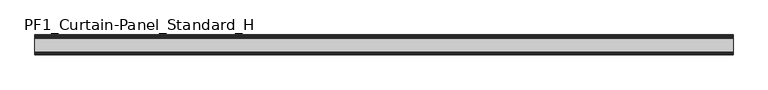
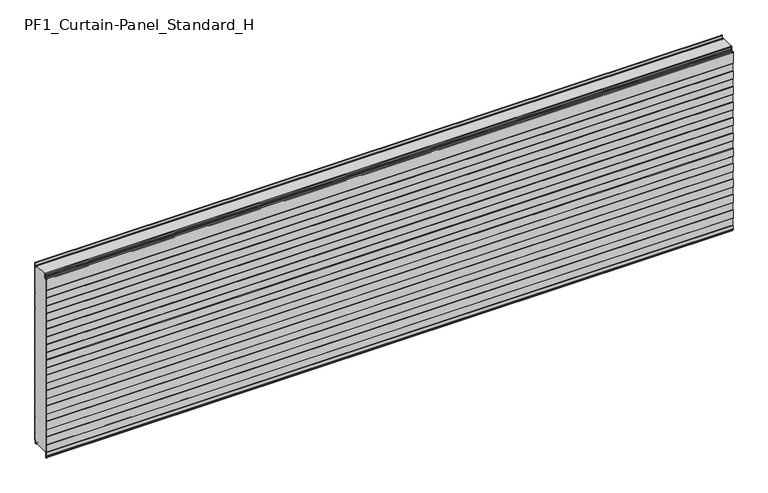
"""IFC4 building model written with IfcOpenShell, lengths in millimetres: plate geometry, PF1_Curtain-Panel_Standard_H."""

from ifc_helpers import new_model, si_unit, point, frame, frame_2d, origin, place, context, project, spatial, polyline, circle_curve, trimmed, segment, composite_curve, outline, extrude, source, transform, mapped, element, save


def pf1_curtain_panel_standard_h_b92ee648(model_context):
    return source(origin(), model_context, "Body", "SweptSolid", [
        extrude(outline(composite_curve([segment(polyline([(-15.878557, 0.0), (-20.0, 0.0), (-20.0, 0.8), (-15.878557, 0.8)]), True, "CONTINUOUS"), segment(trimmed(circle_curve(frame_2d((-15.878557, -2.0)), 2.8), [point((-15.878557, 0.8))], [point((-13.1503208, -1.370137))], False, "CARTESIAN"), True, "CONTINUOUS"), segment(polyline([(-13.1503208, -1.370137), (-11.728236, -7.529863)]), True, "CONTINUOUS"), segment(trimmed(circle_curve(frame_2d((-9.0, -6.9)), 2.8), [point((-11.728236, -7.529863))], [point((-6.2, -6.9))], True, "CARTESIAN"), True, "CONTINUOUS"), segment(polyline([(-6.2, -6.9), (-6.2, 8.6)]), True, "CONTINUOUS"), segment(trimmed(circle_curve(frame_2d((-3.4, 8.6)), 2.8), [point((-6.2, 8.6))], [point((-3.4, 11.4))], False, "CARTESIAN"), True, "CONTINUOUS"), segment(polyline([(-3.4, 11.4), (-2.0, 11.4)]), True, "CONTINUOUS"), segment(trimmed(circle_curve(frame_2d((-2.0, 12.6)), 1.2), [point((-2.0, 11.4))], [point((-0.8, 12.6))], True, "CARTESIAN"), True, "CONTINUOUS"), segment(polyline([(-0.8, 12.6), (-0.8, 57.6856412), (-2.482606, 60.6), (-0.8, 63.5143588), (-0.8, 157.6856412), (-2.482606, 160.6), (-0.8, 163.5143588), (-0.8, 257.6856412), (-2.482606, 260.6), (-0.8, 263.5143588), (-0.8, 357.6856412), (-2.482606, 360.6), (-0.8, 363.5143588), (-0.8, 457.6856412), (-2.482606, 460.6), (-0.8, 463.5143588), (-0.8, 557.6856412), (-2.482606, 560.6), (-0.8, 563.5143588), (-0.8, 657.6856412), (-2.482606, 660.6), (-0.8, 663.5143588), (-0.8, 757.6856412), (-2.482606, 760.6), (-0.8, 763.5143588), (-0.8, 857.6856412), (-2.482606, 860.6), (-0.8, 863.5143588), (-0.8, 957.6856412), (-2.482606, 960.6), (-0.8, 963.5143588), (-0.8, 1057.6856412), (-2.482606, 1060.6), (-0.8, 1063.5143588), (-0.8, 1158.268846)]), True, "CONTINUOUS"), segment(trimmed(circle_curve(frame_2d((-2.5, 1158.268846)), 1.7), [point((-0.8, 1158.268846))], [point((-4.2, 1158.268846))], True, "CARTESIAN"), True, "CONTINUOUS"), segment(polyline([(-4.2, 1158.268846), (-4.2, 1141.268846)]), True, "CONTINUOUS"), segment(trimmed(circle_curve(frame_2d((-9.0, 1141.268846)), 4.8), [point((-4.2, 1141.268846))], [point((-13.7270771, 1140.4353344))], False, "CARTESIAN"), True, "CONTINUOUS"), segment(polyline([(-13.7270771, 1140.4353344), (-14.8636953, 1146.8814129)]), True, "CONTINUOUS"), segment(trimmed(circle_curve(frame_2d((-16.6363492, 1146.568846)), 1.8), [point((-14.8636953, 1146.8814129))], [point((-16.6363492, 1148.368846))], True, "CARTESIAN"), True, "CONTINUOUS"), segment(polyline([(-16.6363492, 1148.368846), (-20.0, 1148.368846), (-20.0, 1149.168846), (-16.6363492, 1149.168846)]), True, "CONTINUOUS"), segment(trimmed(circle_curve(frame_2d((-16.6363492, 1146.568846)), 2.6), [point((-16.6363492, 1149.168846))], [point((-14.0758491, 1147.0203315))], False, "CARTESIAN"), True, "CONTINUOUS"), segment(polyline([(-14.0758491, 1147.0203315), (-12.939231, 1140.574253)]), True, "CONTINUOUS"), segment(trimmed(circle_curve(frame_2d((-9.0, 1141.268846)), 4.0), [point((-12.939231, 1140.574253))], [point((-5.0, 1141.268846))], True, "CARTESIAN"), True, "CONTINUOUS"), segment(polyline([(-5.0, 1141.268846), (-5.0, 1158.268846)]), True, "CONTINUOUS"), segment(trimmed(circle_curve(frame_2d((-2.5, 1158.268846)), 2.5), [point((-5.0, 1158.268846))], [point((0.0, 1158.268846))], False, "CARTESIAN"), True, "CONTINUOUS"), segment(polyline([(0.0, 1158.268846), (0.0, 1063.2999995), (-1.5588455, 1060.6), (0.0, 1057.9000005), (0.0, 963.2999995), (-1.5588455, 960.6), (0.0, 957.9000005), (0.0, 863.2999995), (-1.5588455, 860.6), (0.0, 857.9000005), (0.0, 763.2999995), (-1.5588455, 760.6), (0.0, 757.9000005), (0.0, 663.2999995), (-1.5588455, 660.6), (0.0, 657.9000005), (0.0, 563.2999995), (-1.5588455, 560.6), (0.0, 557.9000005), (0.0, 463.2999995), (-1.5588455, 460.6), (0.0, 457.9000005), (0.0, 363.2999995), (-1.5588455, 360.6), (0.0, 357.9000005), (0.0, 263.2999995), (-1.5588455, 260.6), (0.0, 257.9000005), (0.0, 163.2999995), (-1.5588455, 160.6), (0.0, 157.9000005), (0.0, 63.2999995), (-1.5588455, 60.6), (0.0, 57.9000005), (0.0, 12.6)]), True, "CONTINUOUS"), segment(trimmed(circle_curve(frame_2d((-2.0, 12.6)), 2.0), [point((0.0, 12.6))], [point((-2.0, 10.6))], False, "CARTESIAN"), True, "CONTINUOUS"), segment(polyline([(-2.0, 10.6), (-3.4, 10.6)]), True, "CONTINUOUS"), segment(trimmed(circle_curve(frame_2d((-3.4, 8.6)), 2.0), [point((-3.4, 10.6))], [point((-5.4, 8.6))], True, "CARTESIAN"), True, "CONTINUOUS"), segment(polyline([(-5.4, 8.6), (-5.4, -6.9)]), True, "CONTINUOUS"), segment(trimmed(circle_curve(frame_2d((-9.0, -6.9)), 3.6), [point((-5.4, -6.9))], [point((-12.5077322, -7.7098239))], False, "CARTESIAN"), True, "CONTINUOUS"), segment(polyline([(-12.5077322, -7.7098239), (-13.929817, -1.5500979)]), True, "CONTINUOUS"), segment(trimmed(circle_curve(frame_2d((-15.878557, -2.0)), 2.0), [point((-13.929817, -1.5500979))], [point((-15.878557, 0.0))], True, "CARTESIAN"), True, "CONTINUOUS")], self_intersect=False)), frame((-2100.0, 0.0, 0.0), z_axis=(1.0, 0.0, 0.0), x_axis=(0.0, 1.0, 0.0)), (0.0, 0.0, 1.0), 4200.0),
        extrude(outline(composite_curve([segment(polyline([(-110.0, 0.0), (-113.5, 0.0)]), True, "CONTINUOUS"), segment(trimmed(circle_curve(frame_2d((-113.5, -2.0)), 2.0), [point((-113.5, 0.0))], [point((-115.5, -2.0))], True, "CARTESIAN"), True, "CONTINUOUS"), segment(polyline([(-115.5, -2.0), (-115.5, -33.0)]), True, "CONTINUOUS"), segment(trimmed(circle_curve(frame_2d((-116.5, -33.0)), 1.0), [point((-115.5, -33.0))], [point((-117.5, -33.0))], False, "CARTESIAN"), True, "CONTINUOUS"), segment(polyline([(-117.5, -33.0), (-117.5, -26.9)]), True, "CONTINUOUS"), segment(trimmed(circle_curve(frame_2d((-118.4, -26.9)), 0.9), [point((-117.5, -26.9))], [point((-118.4, -26.0))], True, "CARTESIAN"), True, "CONTINUOUS"), segment(trimmed(circle_curve(frame_2d((-118.4, -24.4)), 1.6), [point((-118.4, -26.0))], [point((-120.0, -24.4))], False, "CARTESIAN"), True, "CONTINUOUS"), segment(polyline([(-120.0, -24.4), (-120.0, -0.9952559), (-118.5, 1.6028217), (-118.5, 46.4028193), (-120.0, 49.0008969), (-120.0, 99.0047441), (-118.5, 101.6028217), (-118.5, 146.4028193), (-120.0, 149.0008969), (-120.0, 199.0047441), (-118.5, 201.6028217), (-118.5, 246.4028193), (-120.0, 249.0008969), (-120.0, 299.0047441), (-118.5, 301.6028217), (-118.5, 346.4028193), (-120.0, 349.0008969), (-120.0, 399.0047441), (-118.5, 401.6028217), (-118.5, 446.4028193), (-120.0, 449.0008969), (-120.0, 499.0047441), (-118.5, 501.6028217), (-118.5, 546.4028193), (-120.0, 549.0008969), (-120.0, 599.0047441), (-118.5, 601.6028217), (-118.5, 646.4028193), (-120.0, 649.0008969), (-120.0, 699.0047441), (-118.5, 701.6028217), (-118.5, 746.4028193), (-120.0, 749.0008969), (-120.0, 799.0047441), (-118.5, 801.6028217), (-118.5, 846.4028193), (-120.0, 849.0008969), (-120.0, 899.0047441), (-118.5, 901.6028217), (-118.5, 946.4028193), (-120.0, 949.0008969), (-120.0, 999.0047441), (-118.5, 1001.6028217), (-118.5, 1046.4028193), (-120.0, 1049.0008969), (-120.0, 1123.168846)]), True, "CONTINUOUS"), segment(trimmed(circle_curve(frame_2d((-119.0, 1123.168846)), 1.0), [point((-120.0, 1123.168846))], [point((-118.0, 1123.168846))], False, "CARTESIAN"), True, "CONTINUOUS"), segment(polyline([(-118.0, 1123.168846), (-118.0, 1117.168846)]), True, "CONTINUOUS"), segment(trimmed(circle_curve(frame_2d((-116.5, 1117.168846)), 1.5), [point((-118.0, 1117.168846))], [point((-115.0, 1117.168846))], True, "CARTESIAN"), True, "CONTINUOUS"), segment(polyline([(-115.0, 1117.168846), (-115.0, 1117.9964664)]), True, "CONTINUOUS"), segment(trimmed(circle_curve(frame_2d((-108.8276204, 1117.9964664)), 6.1723796), [point((-115.0, 1117.9964664))], [point((-108.8276204, 1124.168846))], False, "CARTESIAN"), True, "CONTINUOUS"), segment(polyline([(-108.8276204, 1124.168846), (-108.0, 1124.168846)]), True, "CONTINUOUS"), segment(trimmed(circle_curve(frame_2d((-108.0, 1125.168846)), 1.0), [point((-108.0, 1124.168846))], [point((-107.0, 1125.168846))], True, "CARTESIAN"), True, "CONTINUOUS"), segment(polyline([(-107.0, 1125.168846), (-107.0, 1131.6688472), (-105.4999999, 1133.168846), (-107.0, 1134.6688448), (-107.0, 1146.568846)]), True, "CONTINUOUS"), segment(trimmed(circle_curve(frame_2d((-104.4, 1146.568846)), 2.6), [point((-107.0, 1146.568846))], [point((-104.4, 1149.168846))], False, "CARTESIAN"), True, "CONTINUOUS"), segment(polyline([(-104.4, 1149.168846), (-103.0, 1149.168846), (-103.0, 1148.368846), (-104.4, 1148.368846)]), True, "CONTINUOUS"), segment(trimmed(circle_curve(frame_2d((-104.4, 1146.568846)), 1.8), [point((-104.4, 1148.368846))], [point((-106.2, 1146.568846))], True, "CARTESIAN"), True, "CONTINUOUS"), segment(polyline([(-106.2, 1146.568846), (-106.2, 1135.0002158), (-104.3686285, 1133.168846), (-106.2, 1131.3374762), (-106.2, 1125.168846)]), True, "CONTINUOUS"), segment(trimmed(circle_curve(frame_2d((-108.0, 1125.168846)), 1.8), [point((-106.2, 1125.168846))], [point((-108.0, 1123.368846))], False, "CARTESIAN"), True, "CONTINUOUS"), segment(polyline([(-108.0, 1123.368846), (-108.8276204, 1123.368846)]), True, "CONTINUOUS"), segment(trimmed(circle_curve(frame_2d((-108.8276204, 1117.9964664)), 5.3723796), [point((-108.8276204, 1123.368846))], [point((-114.2, 1117.9964664))], True, "CARTESIAN"), True, "CONTINUOUS"), segment(polyline([(-114.2, 1117.9964664), (-114.2, 1117.168846)]), True, "CONTINUOUS"), segment(trimmed(circle_curve(frame_2d((-116.4, 1117.168846)), 2.2), [point((-114.2, 1117.168846))], [point((-118.6, 1117.168846))], False, "CARTESIAN"), True, "CONTINUOUS"), segment(polyline([(-118.6, 1117.168846), (-118.6, 1123.0579973)]), True, "CONTINUOUS"), segment(trimmed(circle_curve(frame_2d((-118.9, 1123.0579973)), 0.3), [point((-118.6, 1123.0579973))], [point((-119.2, 1123.0579973))], True, "CARTESIAN"), True, "CONTINUOUS"), segment(polyline([(-119.2, 1123.0579973), (-119.2, 1049.2152562), (-117.7, 1046.6171786), (-117.7, 1001.3884624), (-119.2, 998.7903848), (-119.2, 949.2152562), (-117.7, 946.6171786), (-117.7, 901.3884624), (-119.2, 898.7903848), (-119.2, 849.2152562), (-117.7, 846.6171786), (-117.7, 801.3884624), (-119.2, 798.7903848), (-119.2, 749.2152562), (-117.7, 746.6171786), (-117.7, 701.3884624), (-119.2, 698.7903848), (-119.2, 649.2152562), (-117.7, 646.6171786), (-117.7, 601.3884624), (-119.2, 598.7903848), (-119.2, 549.2152562), (-117.7, 546.6171786), (-117.7, 501.3884624), (-119.2, 498.7903848), (-119.2, 449.2152562), (-117.7, 446.6171786), (-117.7, 401.3884624), (-119.2, 398.7903848), (-119.2, 349.2152562), (-117.7, 346.6171786), (-117.7, 301.3884624), (-119.2, 298.7903848), (-119.2, 249.2152562), (-117.7, 246.6171786), (-117.7, 201.3884624), (-119.2, 198.7903848), (-119.2, 149.2152562), (-117.7, 146.6171786), (-117.7, 101.3884624), (-119.2, 98.7903848), (-119.2, 49.2152562), (-117.7, 46.6171786), (-117.7, 1.3884624), (-119.2, -1.2096152), (-119.2, -24.4)]), True, "CONTINUOUS"), segment(trimmed(circle_curve(frame_2d((-118.4, -24.4)), 0.8), [point((-119.2, -24.4))], [point((-118.4, -25.2))], True, "CARTESIAN"), True, "CONTINUOUS"), segment(trimmed(circle_curve(frame_2d((-118.6133333, -26.9)), 1.7133333), [point((-118.4, -25.2))], [point((-116.9, -26.9))], False, "CARTESIAN"), True, "CONTINUOUS"), segment(polyline([(-116.9, -26.9), (-116.9, -32.8700312)]), True, "CONTINUOUS"), segment(trimmed(circle_curve(frame_2d((-116.6, -32.8700312)), 0.3), [point((-116.9, -32.8700312))], [point((-116.3, -32.8700312))], True, "CARTESIAN"), True, "CONTINUOUS"), segment(polyline([(-116.3, -32.8700312), (-116.3, -2.0)]), True, "CONTINUOUS"), segment(trimmed(circle_curve(frame_2d((-113.5, -2.0)), 2.8), [point((-116.3, -2.0))], [point((-113.5, 0.8))], False, "CARTESIAN"), True, "CONTINUOUS"), segment(polyline([(-113.5, 0.8), (-110.0, 0.8), (-110.0, 0.0)]), True, "CONTINUOUS")], self_intersect=False)), frame((-2100.0, 0.0, 0.0), z_axis=(1.0, 0.0, 0.0), x_axis=(0.0, 1.0, 0.0)), (0.0, 0.0, 1.0), 4200.0),
        extrude(outline(composite_curve([segment(polyline([(-110.0, 0.8), (-113.5, 0.8)]), True, "CONTINUOUS"), segment(trimmed(circle_curve(frame_2d((-113.5, -2.0)), 2.8), [point((-113.5, 0.8))], [point((-116.3, -2.0))], True, "CARTESIAN"), True, "CONTINUOUS"), segment(polyline([(-116.3, -2.0), (-116.3, -32.8700312)]), True, "CONTINUOUS"), segment(trimmed(circle_curve(frame_2d((-116.6, -32.8700312)), 0.3), [point((-116.3, -32.8700312))], [point((-116.9, -32.8700312))], False, "CARTESIAN"), True, "CONTINUOUS"), segment(polyline([(-116.9, -32.8700312), (-116.9, -26.9)]), True, "CONTINUOUS"), segment(trimmed(circle_curve(frame_2d((-118.6133333, -26.9)), 1.7133333), [point((-116.9, -26.9))], [point((-118.4, -25.2))], True, "CARTESIAN"), True, "CONTINUOUS"), segment(trimmed(circle_curve(frame_2d((-118.4, -24.4)), 0.8), [point((-118.4, -25.2))], [point((-119.2, -24.4))], False, "CARTESIAN"), True, "CONTINUOUS"), segment(polyline([(-119.2, -24.4), (-119.2, -1.2096152), (-117.7, 1.3884624), (-117.7, 46.6171786), (-119.2, 49.2152562), (-119.2, 98.7903848), (-117.7, 101.3884624), (-117.7, 146.6171786), (-119.2, 149.2152562), (-119.2, 198.7903848), (-117.7, 201.3884624), (-117.7, 246.6171786), (-119.2, 249.2152562), (-119.2, 298.7903848), (-117.7, 301.3884624), (-117.7, 346.6171786), (-119.2, 349.2152562), (-119.2, 398.7903848), (-117.7, 401.3884624), (-117.7, 446.6171786), (-119.2, 449.2152562), (-119.2, 498.7903848), (-117.7, 501.3884624), (-117.7, 546.6171786), (-119.2, 549.2152562), (-119.2, 598.7903848), (-117.7, 601.3884624), (-117.7, 646.6171786), (-119.2, 649.2152562), (-119.2, 698.7903848), (-117.7, 701.3884624), (-117.7, 746.6171786), (-119.2, 749.2152562), (-119.2, 798.7903848), (-117.7, 801.3884624), (-117.7, 846.6171786), (-119.2, 849.2152562), (-119.2, 898.7903848), (-117.7, 901.3884624), (-117.7, 946.6171786), (-119.2, 949.2152562), (-119.2, 998.7903848), (-117.7, 1001.3884624), (-117.7, 1046.6171786), (-119.2, 1049.2152562), (-119.2, 1123.0579973)]), True, "CONTINUOUS"), segment(trimmed(circle_curve(frame_2d((-118.9, 1123.0579973)), 0.3), [point((-119.2, 1123.0579973))], [point((-118.6, 1123.0579973))], False, "CARTESIAN"), True, "CONTINUOUS"), segment(polyline([(-118.6, 1123.0579973), (-118.6, 1117.168846)]), True, "CONTINUOUS"), segment(trimmed(circle_curve(frame_2d((-116.4, 1117.168846)), 2.2), [point((-118.6, 1117.168846))], [point((-114.2, 1117.168846))], True, "CARTESIAN"), True, "CONTINUOUS"), segment(polyline([(-114.2, 1117.168846), (-114.2, 1117.9964664)]), True, "CONTINUOUS"), segment(trimmed(circle_curve(frame_2d((-108.8276204, 1117.9964664)), 5.3723796), [point((-114.2, 1117.9964664))], [point((-108.8276204, 1123.368846))], False, "CARTESIAN"), True, "CONTINUOUS"), segment(polyline([(-108.8276204, 1123.368846), (-108.0, 1123.368846)]), True, "CONTINUOUS"), segment(trimmed(circle_curve(frame_2d((-108.0, 1125.168846)), 1.8), [point((-108.0, 1123.368846))], [point((-106.2, 1125.168846))], True, "CARTESIAN"), True, "CONTINUOUS"), segment(polyline([(-106.2, 1125.168846), (-106.2, 1131.3374762), (-104.3686285, 1133.168846), (-106.2, 1135.0002158), (-106.2, 1146.568846)]), True, "CONTINUOUS"), segment(trimmed(circle_curve(frame_2d((-104.4, 1146.568846)), 1.8), [point((-106.2, 1146.568846))], [point((-104.4, 1148.368846))], False, "CARTESIAN"), True, "CONTINUOUS"), segment(polyline([(-104.4, 1148.368846), (-103.0, 1148.368846), (-103.0, 1149.168846), (-20.0, 1149.168846), (-20.0, 1148.368846), (-16.6363492, 1148.368846)]), True, "CONTINUOUS"), segment(trimmed(circle_curve(frame_2d((-16.6363492, 1146.568846)), 1.8), [point((-16.6363492, 1148.368846))], [point((-14.8636953, 1146.8814129))], False, "CARTESIAN"), True, "CONTINUOUS"), segment(polyline([(-14.8636953, 1146.8814129), (-13.7270772, 1140.4353344)]), True, "CONTINUOUS"), segment(trimmed(circle_curve(frame_2d((-9.0, 1141.268846)), 4.8), [point((-13.7270772, 1140.4353344))], [point((-4.2, 1141.268846))], True, "CARTESIAN"), True, "CONTINUOUS"), segment(polyline([(-4.2, 1141.268846), (-4.2, 1158.268846)]), True, "CONTINUOUS"), segment(trimmed(circle_curve(frame_2d((-2.5, 1158.268846)), 1.7), [point((-4.2, 1158.268846))], [point((-0.8, 1158.268846))], False, "CARTESIAN"), True, "CONTINUOUS"), segment(polyline([(-0.8, 1158.268846), (-0.8, 1063.5143588), (-2.482606, 1060.6), (-0.8, 1057.6856412), (-0.8, 963.5143588), (-2.482606, 960.6), (-0.8, 957.6856412), (-0.8, 863.5143588), (-2.482606, 860.6), (-0.8, 857.6856412), (-0.8, 763.5143588), (-2.482606, 760.6), (-0.8, 757.6856412), (-0.8, 663.5143588), (-2.482606, 660.6), (-0.8, 657.6856412), (-0.8, 563.5143588), (-2.482606, 560.6), (-0.8, 557.6856412), (-0.8, 463.5143588), (-2.482606, 460.6), (-0.8, 457.6856412), (-0.8, 363.5143588), (-2.482606, 360.6), (-0.8, 357.6856412), (-0.8, 263.5143588), (-2.482606, 260.6), (-0.8, 257.6856412), (-0.8, 163.5143588), (-2.482606, 160.6), (-0.8, 157.6856412), (-0.8, 63.5143588), (-2.482606, 60.6), (-0.8, 57.6856412), (-0.8, 12.6)]), True, "CONTINUOUS"), segment(trimmed(circle_curve(frame_2d((-2.0, 12.6)), 1.2), [point((-0.8, 12.6))], [point((-2.0, 11.4))], False, "CARTESIAN"), True, "CONTINUOUS"), segment(polyline([(-2.0, 11.4), (-3.4, 11.4)]), True, "CONTINUOUS"), segment(trimmed(circle_curve(frame_2d((-3.4, 8.6)), 2.8), [point((-3.4, 11.4))], [point((-6.2, 8.6))], True, "CARTESIAN"), True, "CONTINUOUS"), segment(polyline([(-6.2, 8.6), (-6.2, -6.9)]), True, "CONTINUOUS"), segment(trimmed(circle_curve(frame_2d((-9.0, -6.9)), 2.8), [point((-6.2, -6.9))], [point((-11.7282362, -7.529863))], False, "CARTESIAN"), True, "CONTINUOUS"), segment(polyline([(-11.7282362, -7.529863), (-13.1503208, -1.370137)]), True, "CONTINUOUS"), segment(trimmed(circle_curve(frame_2d((-15.878557, -2.0)), 2.8), [point((-13.1503208, -1.370137))], [point((-15.878557, 0.8))], True, "CARTESIAN"), True, "CONTINUOUS"), segment(polyline([(-15.878557, 0.8), (-20.0, 0.8), (-20.0, 0.0), (-110.0, 0.0), (-110.0, 0.8)]), True, "CONTINUOUS")], self_intersect=False)), frame((-2100.0, 0.0, 0.0), z_axis=(1.0, 0.0, 0.0), x_axis=(0.0, 1.0, 0.0)), (0.0, 0.0, 1.0), 4200.0),
    ])


if __name__ == "__main__":
    model = new_model("IFC4")
    model_context = context("Model", 3, world=origin())
    ifc_project = project(units=[si_unit("LENGTHUNIT", "METRE", prefix="MILLI")], contexts=[model_context])
    site = spatial("IfcSite", under=ifc_project)
    building = spatial("IfcBuilding", under=site)
    placement = place(None, origin())
    pf1_curtain_panel_standard_h_shape = pf1_curtain_panel_standard_h_b92ee648(model_context)
    element("IfcPlate", 1, ObjectType="PF1_Curtain-Panel_Standard_H", at=placement, inside=building, context=model_context, shape_type="MappedRepresentation", body=[
        mapped(pf1_curtain_panel_standard_h_shape, transform((0.0, 0.0, 0.0), x_axis=(1.0, 0.0, 0.0), y_axis=(0.0, 1.0, 0.0), z_axis=(0.0, 0.0, 1.0))),
    ])
    save(model, "model.ifc")
